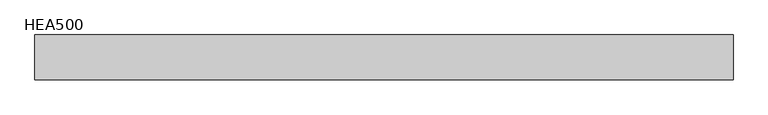
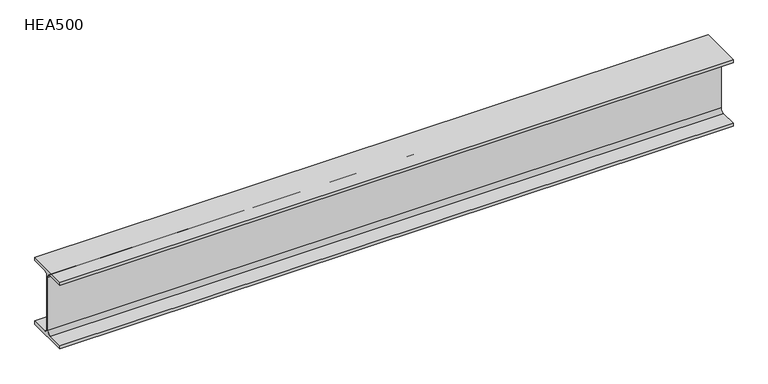
"""IFC4 building model written with IfcOpenShell, lengths in millimetres: beam geometry, HEA500."""

from ifc_helpers import new_model, si_unit, point, frame, frame_2d, origin, place, context, project, spatial, polyline, circle_curve, trimmed, segment, composite_curve, outline, extrude, source, transform, mapped, element, save


def hea500_36d773ef(model_context):
    return source(origin(), model_context, "Body", "SweptSolid", [
        extrude(outline(composite_curve([segment(polyline([(150.0, -222.0), (150.0, -245.0), (-150.0, -245.0), (-150.0, -222.0), (-33.0, -222.0)]), True, "CONTINUOUS"), segment(trimmed(circle_curve(frame_2d((-33.0, -195.0)), 27.0), [point((-33.0, -222.0))], [point((-6.0, -195.0))], True, "CARTESIAN"), True, "CONTINUOUS"), segment(polyline([(-6.0, -195.0), (-6.0, 195.0)]), True, "CONTINUOUS"), segment(trimmed(circle_curve(frame_2d((-33.0, 195.0)), 27.0), [point((-6.0, 195.0))], [point((-33.0, 222.0))], True, "CARTESIAN"), True, "CONTINUOUS"), segment(polyline([(-33.0, 222.0), (-150.0, 222.0), (-150.0, 245.0), (150.0, 245.0), (150.0, 222.0), (33.0, 222.0)]), True, "CONTINUOUS"), segment(trimmed(circle_curve(frame_2d((33.0, 195.0)), 27.0), [point((33.0, 222.0))], [point((6.0, 195.0))], True, "CARTESIAN"), True, "CONTINUOUS"), segment(polyline([(6.0, 195.0), (6.0, -195.0)]), True, "CONTINUOUS"), segment(trimmed(circle_curve(frame_2d((33.0, -195.0)), 27.0), [point((6.0, -195.0))], [point((33.0, -222.0))], True, "CARTESIAN"), True, "CONTINUOUS"), segment(polyline([(33.0, -222.0), (150.0, -222.0)]), True, "CONTINUOUS")], self_intersect=False)), frame((-2337.3, 0.0, 0.0), z_axis=(1.0, 0.0, 0.0), x_axis=(0.0, 1.0, 0.0)), (0.0, 0.0, 1.0), 4674.6),
    ])


if __name__ == "__main__":
    model = new_model("IFC4")
    model_context = context("Model", 3, world=origin())
    ifc_project = project(units=[si_unit("LENGTHUNIT", "METRE", prefix="MILLI")], contexts=[model_context])
    site = spatial("IfcSite", under=ifc_project)
    building = spatial("IfcBuilding", under=site)
    placement = place(None, origin())
    hea500_shape = hea500_36d773ef(model_context)
    element("IfcBeam", 1, ObjectType="HEA500", at=placement, inside=building, context=model_context, shape_type="MappedRepresentation", body=[
        mapped(hea500_shape, transform((0.0, 0.0, 0.0), x_axis=(1.0, 0.0, 0.0), y_axis=(0.0, 1.0, 0.0), z_axis=(0.0, 0.0, 1.0))),
    ])
    save(model, "model.ifc")
